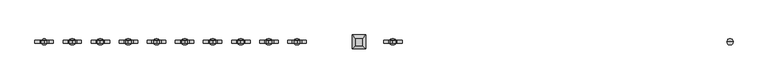
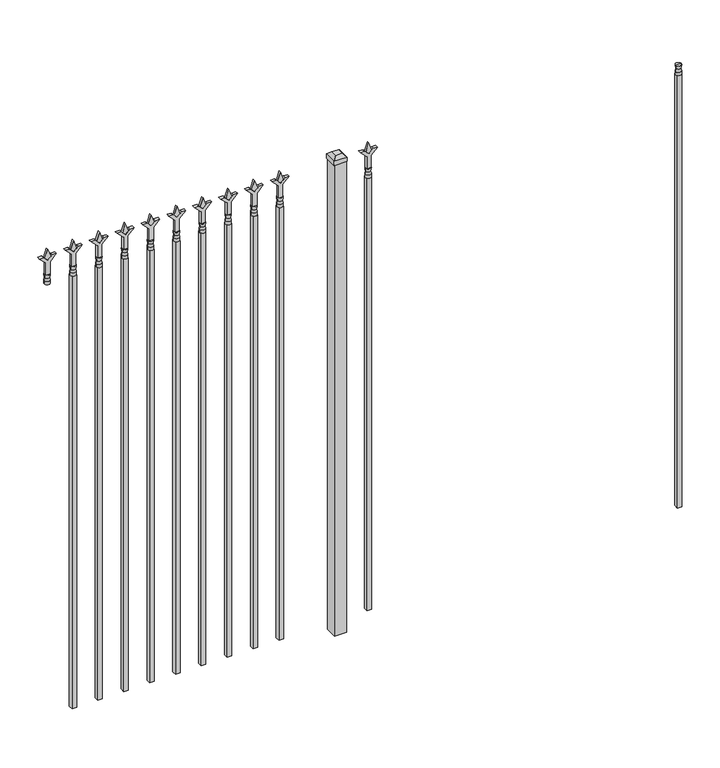
"""IFC4 building model written with IfcOpenShell, lengths in millimetres: railing geometry."""

from ifc_helpers import new_model, si_unit, frame, origin, origin_with_axes, place, context, project, spatial, polyline, circle_curve, outline, extrude, faceted_brep, source, transform, mapped, element, save
from ifc_brep_helpers import plane_surface, cylinder_surface, revolved_surface, advanced_brep


def railing_86276e37(model_context):
    return source(origin(), model_context, "Body", "SolidModel", [
        advanced_brep(
        [(-58315.574337, -635.2570174, 1993.9), (-58339.386837, -635.2570174, 1993.9), (-58339.386837, -635.2570174, 1981.2), (-58315.574337, -635.2570174, 1981.2), (-58317.7796688, -635.2570174, 2006.4070585), (-58337.1815051, -635.2570174, 2006.4070585), (-58315.574337, -635.2570174, 2022.475), (-58339.386837, -635.2570174, 2022.475), (-58327.480587, -635.2570174, 2022.475), (-58327.480587, -635.2570174, 1981.2)],
        [
            (0, 1, circle_curve(frame((-58327.480587, -635.2570174, 1993.9), z_axis=(0.0, 0.0, -1.0), x_axis=(-1.0, 0.0, 0.0)), 11.90625)),
            (1, 2),
            (2, 3, circle_curve(frame((-58327.480587, -635.2570174, 1981.2), z_axis=(0.0, 0.0, 1.0), x_axis=(-1.0, 0.0, 0.0)), 11.90625)),
            (3, 0),
            (1, 0, circle_curve(frame((-58327.480587, -635.2570174, 1993.9), z_axis=(0.0, 0.0, -1.0), x_axis=(-1.0, 0.0, 0.0)), 11.90625)),
            (3, 2, circle_curve(frame((-58327.480587, -635.2570174, 1981.2), z_axis=(0.0, 0.0, 1.0), x_axis=(-1.0, 0.0, 0.0)), 11.90625)),
            (4, 5, circle_curve(frame((-58327.480587, -635.2570174, 2006.4070585), z_axis=(0.0, 0.0, -1.0), x_axis=(-1.0, 0.0, 0.0)), 9.7009181)),
            (5, 1),
            (0, 4),
            (5, 4, circle_curve(frame((-58327.480587, -635.2570174, 2006.4070585), z_axis=(0.0, 0.0, -1.0), x_axis=(-1.0, 0.0, 0.0)), 9.7009181)),
            (6, 7, circle_curve(frame((-58327.480587, -635.2570174, 2022.475), z_axis=(0.0, 0.0, -1.0), x_axis=(-1.0, 0.0, 0.0)), 11.90625)),
            (7, 5),
            (4, 6),
            (7, 6, circle_curve(frame((-58327.480587, -635.2570174, 2022.475), z_axis=(0.0, 0.0, -1.0), x_axis=(-1.0, 0.0, 0.0)), 11.90625)),
            (8, 7),
            (6, 8),
            (2, 9),
            (9, 3),
        ],
        [
            cylinder_surface(frame((-58327.480587, -635.2570174, 1981.2), z_axis=(0.0, 0.0, 1.0), x_axis=(-1.0, 0.0, 0.0)), 11.90625),
            revolved_surface(polyline([(-58339.386837, -635.2570174, 1993.9), (-58337.1815051, -635.2570174, 2006.4070585)]), (-58327.480587, -635.2570174, 1981.2), (0.0, 0.0, 1.0)),
            revolved_surface(polyline([(-58337.1815051, -635.2570174, 2006.4070585), (-58339.386837, -635.2570174, 2022.475)]), (-58327.480587, -635.2570174, 1981.2), (0.0, 0.0, 1.0)),
            plane_surface(frame((-58327.480587, -635.2570174, 2022.475), z_axis=(0.0, 0.0, 1.0), x_axis=(-1.0, 0.0, 0.0))),
            plane_surface(frame((-58327.480587, -635.2570174, 1981.2), z_axis=(0.0, 0.0, -1.0), x_axis=(-1.0, 0.0, 0.0))),
        ],
        [
            (0, [[1, 2, 3, 4]]),
            (0, [[5, -4, 6, -2]]),
            (1, [[7, 8, -1, 9]]),
            (1, [[10, -9, -5, -8]]),
            (2, [[11, 12, -7, 13]]),
            (2, [[14, -13, -10, -12]]),
            (3, [[15, -11, 16]]),
            (3, [[-16, -14, -15]]),
            (4, [[-3, 17, 18]]),
            (4, [[-6, -18, -17]]),
        ],
    ),
        extrude(outline(polyline([(-58337.005587, -625.7320174), (-58317.955587, -625.7320174), (-58317.955587, -644.7820174), (-58337.005587, -644.7820174), (-58337.005587, -625.7320174)])), frame((0.0, 0.0, 50.8), z_axis=(0.0, 0.0, 1.0), x_axis=(1.0, 0.0, 0.0)), (0.0, 0.0, 1.0), 1930.4),
        extrude(outline(polyline([(2097.88125, -59626.849337), (2133.6, -59638.755587), (2097.88125, -59650.661837), (2085.975, -59638.755587), (2097.88125, -59626.849337)])), frame((0.0, -640.0195174, 0.0), z_axis=(0.0, 1.0, 0.0), x_axis=(0.0, 0.0, 1.0)), (0.0, 0.0, 1.0), 9.525),
        extrude(outline(polyline([(2022.475, -59630.024337), (2076.7457378, -59630.024337), (2103.9355122, -59602.8345625), (2103.9355122, -59620.7950747), (2085.975, -59638.755587), (2103.9355122, -59656.7160992), (2103.9355122, -59674.6766114), (2076.7457378, -59647.486837), (2022.475, -59647.486837), (2022.475, -59630.024337)])), frame((0.0, -641.6070174, 0.0), z_axis=(0.0, 1.0, 0.0), x_axis=(0.0, 0.0, 1.0)), (0.0, 0.0, 1.0), 12.7),
        advanced_brep(
        [(-59626.849337, -635.2570174, 1993.9), (-59650.661837, -635.2570174, 1993.9), (-59650.661837, -635.2570174, 1981.2), (-59626.849337, -635.2570174, 1981.2), (-59629.0546688, -635.2570174, 2006.4070585), (-59648.4565051, -635.2570174, 2006.4070585), (-59626.849337, -635.2570174, 2022.475), (-59650.661837, -635.2570174, 2022.475), (-59638.755587, -635.2570174, 2022.475), (-59638.755587, -635.2570174, 1981.2)],
        [
            (0, 1, circle_curve(frame((-59638.755587, -635.2570174, 1993.9), z_axis=(0.0, 0.0, -1.0), x_axis=(-1.0, 0.0, 0.0)), 11.90625)),
            (1, 2),
            (2, 3, circle_curve(frame((-59638.755587, -635.2570174, 1981.2), z_axis=(0.0, 0.0, 1.0), x_axis=(-1.0, 0.0, 0.0)), 11.90625)),
            (3, 0),
            (1, 0, circle_curve(frame((-59638.755587, -635.2570174, 1993.9), z_axis=(0.0, 0.0, -1.0), x_axis=(-1.0, 0.0, 0.0)), 11.90625)),
            (3, 2, circle_curve(frame((-59638.755587, -635.2570174, 1981.2), z_axis=(0.0, 0.0, 1.0), x_axis=(-1.0, 0.0, 0.0)), 11.90625)),
            (4, 5, circle_curve(frame((-59638.755587, -635.2570174, 2006.4070585), z_axis=(0.0, 0.0, -1.0), x_axis=(-1.0, 0.0, 0.0)), 9.7009181)),
            (5, 1),
            (0, 4),
            (5, 4, circle_curve(frame((-59638.755587, -635.2570174, 2006.4070585), z_axis=(0.0, 0.0, -1.0), x_axis=(-1.0, 0.0, 0.0)), 9.7009181)),
            (6, 7, circle_curve(frame((-59638.755587, -635.2570174, 2022.475), z_axis=(0.0, 0.0, -1.0), x_axis=(-1.0, 0.0, 0.0)), 11.90625)),
            (7, 5),
            (4, 6),
            (7, 6, circle_curve(frame((-59638.755587, -635.2570174, 2022.475), z_axis=(0.0, 0.0, -1.0), x_axis=(-1.0, 0.0, 0.0)), 11.90625)),
            (8, 7),
            (6, 8),
            (2, 9),
            (9, 3),
        ],
        [
            cylinder_surface(frame((-59638.755587, -635.2570174, 1981.2), z_axis=(0.0, 0.0, 1.0), x_axis=(-1.0, 0.0, 0.0)), 11.90625),
            revolved_surface(polyline([(-59650.661837, -635.2570174, 1993.9), (-59648.4565051, -635.2570174, 2006.4070585)]), (-59638.755587, -635.2570174, 1981.2), (0.0, 0.0, 1.0)),
            revolved_surface(polyline([(-59648.4565051, -635.2570174, 2006.4070585), (-59650.661837, -635.2570174, 2022.475)]), (-59638.755587, -635.2570174, 1981.2), (0.0, 0.0, 1.0)),
            plane_surface(frame((-59638.755587, -635.2570174, 2022.475), z_axis=(0.0, 0.0, 1.0), x_axis=(-1.0, 0.0, 0.0))),
            plane_surface(frame((-59638.755587, -635.2570174, 1981.2), z_axis=(0.0, 0.0, -1.0), x_axis=(-1.0, 0.0, 0.0))),
        ],
        [
            (0, [[1, 2, 3, 4]]),
            (0, [[5, -4, 6, -2]]),
            (1, [[7, 8, -1, 9]]),
            (1, [[10, -9, -5, -8]]),
            (2, [[11, 12, -7, 13]]),
            (2, [[14, -13, -10, -12]]),
            (3, [[15, -11, 16]]),
            (3, [[-16, -14, -15]]),
            (4, [[-3, 17, 18]]),
            (4, [[-6, -18, -17]]),
        ],
    ),
        extrude(outline(polyline([(-59648.280587, -625.7320174), (-59629.230587, -625.7320174), (-59629.230587, -644.7820174), (-59648.280587, -644.7820174), (-59648.280587, -625.7320174)])), frame((0.0, 0.0, 50.8), z_axis=(0.0, 0.0, 1.0), x_axis=(1.0, 0.0, 0.0)), (0.0, 0.0, 1.0), 1930.4),
        extrude(outline(polyline([(-59745.118087, -609.8570174), (-59745.118087, -660.6570174), (-59795.918087, -660.6570174), (-59795.918087, -609.8570174), (-59745.118087, -609.8570174)])), origin_with_axes(), (0.0, 0.0, 1.0), 2101.85),
        faceted_brep([(-59797.505587, -608.2695174, 2120.9), (-59797.505587, -608.2695174, 2101.85), (-59797.505587, -662.2445174, 2101.85), (-59797.505587, -662.2445174, 2120.9), (-59784.805587, -620.9695174, 2133.6), (-59784.805587, -649.5445174, 2133.6), (-59743.530587, -662.2445174, 2101.85), (-59743.530587, -662.2445174, 2120.9), (-59756.230587, -649.5445174, 2133.6), (-59743.530587, -608.2695174, 2101.85), (-59743.530587, -608.2695174, 2120.9), (-59756.230587, -620.9695174, 2133.6)], [[[0, 1, 2, 3]], [[4, 0, 3, 5]], [[3, 2, 6, 7]], [[5, 3, 7, 8]], [[7, 6, 9, 10]], [[8, 7, 10, 11]], [[10, 9, 1, 0]], [[11, 10, 0, 4]], [[5, 8, 11, 4]], [[1, 9, 6, 2]]]),
        extrude(outline(polyline([(2097.88125, -59999.6472536), (2133.6, -60011.5535036), (2097.88125, -60023.4597536), (2085.975, -60011.5535036), (2097.88125, -59999.6472536)])), frame((0.0, -640.0195174, 0.0), z_axis=(0.0, 1.0, 0.0), x_axis=(0.0, 0.0, 1.0)), (0.0, 0.0, 1.0), 9.525),
        extrude(outline(polyline([(2022.475, -60002.8222536), (2076.7457378, -60002.8222536), (2103.9355122, -59975.6324791), (2103.9355122, -59993.5929914), (2085.975, -60011.5535036), (2103.9355122, -60029.5140159), (2103.9355122, -60047.4745281), (2076.7457378, -60020.2847536), (2022.475, -60020.2847536), (2022.475, -60002.8222536)])), frame((0.0, -641.6070174, 0.0), z_axis=(0.0, 1.0, 0.0), x_axis=(0.0, 0.0, 1.0)), (0.0, 0.0, 1.0), 12.7),
        advanced_brep(
        [(-59999.6472536, -635.2570174, 1993.9), (-60023.4597536, -635.2570174, 1993.9), (-60023.4597536, -635.2570174, 1981.2), (-59999.6472536, -635.2570174, 1981.2), (-60001.8525855, -635.2570174, 2006.4070585), (-60021.2544218, -635.2570174, 2006.4070585), (-59999.6472536, -635.2570174, 2022.475), (-60023.4597536, -635.2570174, 2022.475), (-60011.5535036, -635.2570174, 2022.475), (-60011.5535036, -635.2570174, 1981.2)],
        [
            (0, 1, circle_curve(frame((-60011.5535036, -635.2570174, 1993.9), z_axis=(0.0, 0.0, -1.0), x_axis=(-1.0, 0.0, 0.0)), 11.90625)),
            (1, 2),
            (2, 3, circle_curve(frame((-60011.5535036, -635.2570174, 1981.2), z_axis=(0.0, 0.0, 1.0), x_axis=(-1.0, 0.0, 0.0)), 11.90625)),
            (3, 0),
            (1, 0, circle_curve(frame((-60011.5535036, -635.2570174, 1993.9), z_axis=(0.0, 0.0, -1.0), x_axis=(-1.0, 0.0, 0.0)), 11.90625)),
            (3, 2, circle_curve(frame((-60011.5535036, -635.2570174, 1981.2), z_axis=(0.0, 0.0, 1.0), x_axis=(-1.0, 0.0, 0.0)), 11.90625)),
            (4, 5, circle_curve(frame((-60011.5535036, -635.2570174, 2006.4070585), z_axis=(0.0, 0.0, -1.0), x_axis=(-1.0, 0.0, 0.0)), 9.7009181)),
            (5, 1),
            (0, 4),
            (5, 4, circle_curve(frame((-60011.5535036, -635.2570174, 2006.4070585), z_axis=(0.0, 0.0, -1.0), x_axis=(-1.0, 0.0, 0.0)), 9.7009181)),
            (6, 7, circle_curve(frame((-60011.5535036, -635.2570174, 2022.475), z_axis=(0.0, 0.0, -1.0), x_axis=(-1.0, 0.0, 0.0)), 11.90625)),
            (7, 5),
            (4, 6),
            (7, 6, circle_curve(frame((-60011.5535036, -635.2570174, 2022.475), z_axis=(0.0, 0.0, -1.0), x_axis=(-1.0, 0.0, 0.0)), 11.90625)),
            (8, 7),
            (6, 8),
            (2, 9),
            (9, 3),
        ],
        [
            cylinder_surface(frame((-60011.5535036, -635.2570174, 1981.2), z_axis=(0.0, 0.0, 1.0), x_axis=(-1.0, 0.0, 0.0)), 11.90625),
            revolved_surface(polyline([(-60023.4597536, -635.2570174, 1993.9), (-60021.2544218, -635.2570174, 2006.4070585)]), (-60011.5535036, -635.2570174, 1981.2), (0.0, 0.0, 1.0)),
            revolved_surface(polyline([(-60021.2544218, -635.2570174, 2006.4070585), (-60023.4597536, -635.2570174, 2022.475)]), (-60011.5535036, -635.2570174, 1981.2), (0.0, 0.0, 1.0)),
            plane_surface(frame((-60011.5535036, -635.2570174, 2022.475), z_axis=(0.0, 0.0, 1.0), x_axis=(-1.0, 0.0, 0.0))),
            plane_surface(frame((-60011.5535036, -635.2570174, 1981.2), z_axis=(0.0, 0.0, -1.0), x_axis=(-1.0, 0.0, 0.0))),
        ],
        [
            (0, [[1, 2, 3, 4]]),
            (0, [[5, -4, 6, -2]]),
            (1, [[7, 8, -1, 9]]),
            (1, [[10, -9, -5, -8]]),
            (2, [[11, 12, -7, 13]]),
            (2, [[14, -13, -10, -12]]),
            (3, [[15, -11, 16]]),
            (3, [[-16, -14, -15]]),
            (4, [[-3, 17, 18]]),
            (4, [[-6, -18, -17]]),
        ],
    ),
        extrude(outline(polyline([(-60021.0785036, -625.7320174), (-60002.0285036, -625.7320174), (-60002.0285036, -644.7820174), (-60021.0785036, -644.7820174), (-60021.0785036, -625.7320174)])), frame((0.0, 0.0, 50.8), z_axis=(0.0, 0.0, 1.0), x_axis=(1.0, 0.0, 0.0)), (0.0, 0.0, 1.0), 1930.4),
        extrude(outline(polyline([(2097.88125, -60108.9201703), (2133.6, -60120.8264203), (2097.88125, -60132.7326703), (2085.975, -60120.8264203), (2097.88125, -60108.9201703)])), frame((0.0, -640.0195174, 0.0), z_axis=(0.0, 1.0, 0.0), x_axis=(0.0, 0.0, 1.0)), (0.0, 0.0, 1.0), 9.525),
        extrude(outline(polyline([(2022.475, -60112.0951703), (2076.7457378, -60112.0951703), (2103.9355122, -60084.9053958), (2103.9355122, -60102.8659081), (2085.975, -60120.8264203), (2103.9355122, -60138.7869325), (2103.9355122, -60156.7474448), (2076.7457378, -60129.5576703), (2022.475, -60129.5576703), (2022.475, -60112.0951703)])), frame((0.0, -641.6070174, 0.0), z_axis=(0.0, 1.0, 0.0), x_axis=(0.0, 0.0, 1.0)), (0.0, 0.0, 1.0), 12.7),
        advanced_brep(
        [(-60108.9201703, -635.2570174, 1993.9), (-60132.7326703, -635.2570174, 1993.9), (-60132.7326703, -635.2570174, 1981.2), (-60108.9201703, -635.2570174, 1981.2), (-60111.1255022, -635.2570174, 2006.4070585), (-60130.5273384, -635.2570174, 2006.4070585), (-60108.9201703, -635.2570174, 2022.475), (-60132.7326703, -635.2570174, 2022.475), (-60120.8264203, -635.2570174, 2022.475), (-60120.8264203, -635.2570174, 1981.2)],
        [
            (0, 1, circle_curve(frame((-60120.8264203, -635.2570174, 1993.9), z_axis=(0.0, 0.0, -1.0), x_axis=(-1.0, 0.0, 0.0)), 11.90625)),
            (1, 2),
            (2, 3, circle_curve(frame((-60120.8264203, -635.2570174, 1981.2), z_axis=(0.0, 0.0, 1.0), x_axis=(-1.0, 0.0, 0.0)), 11.90625)),
            (3, 0),
            (1, 0, circle_curve(frame((-60120.8264203, -635.2570174, 1993.9), z_axis=(0.0, 0.0, -1.0), x_axis=(-1.0, 0.0, 0.0)), 11.90625)),
            (3, 2, circle_curve(frame((-60120.8264203, -635.2570174, 1981.2), z_axis=(0.0, 0.0, 1.0), x_axis=(-1.0, 0.0, 0.0)), 11.90625)),
            (4, 5, circle_curve(frame((-60120.8264203, -635.2570174, 2006.4070585), z_axis=(0.0, 0.0, -1.0), x_axis=(-1.0, 0.0, 0.0)), 9.7009181)),
            (5, 1),
            (0, 4),
            (5, 4, circle_curve(frame((-60120.8264203, -635.2570174, 2006.4070585), z_axis=(0.0, 0.0, -1.0), x_axis=(-1.0, 0.0, 0.0)), 9.7009181)),
            (6, 7, circle_curve(frame((-60120.8264203, -635.2570174, 2022.475), z_axis=(0.0, 0.0, -1.0), x_axis=(-1.0, 0.0, 0.0)), 11.90625)),
            (7, 5),
            (4, 6),
            (7, 6, circle_curve(frame((-60120.8264203, -635.2570174, 2022.475), z_axis=(0.0, 0.0, -1.0), x_axis=(-1.0, 0.0, 0.0)), 11.90625)),
            (8, 7),
            (6, 8),
            (2, 9),
            (9, 3),
        ],
        [
            cylinder_surface(frame((-60120.8264203, -635.2570174, 1981.2), z_axis=(0.0, 0.0, 1.0), x_axis=(-1.0, 0.0, 0.0)), 11.90625),
            revolved_surface(polyline([(-60132.7326703, -635.2570174, 1993.9), (-60130.5273384, -635.2570174, 2006.4070585)]), (-60120.8264203, -635.2570174, 1981.2), (0.0, 0.0, 1.0)),
            revolved_surface(polyline([(-60130.5273384, -635.2570174, 2006.4070585), (-60132.7326703, -635.2570174, 2022.475)]), (-60120.8264203, -635.2570174, 1981.2), (0.0, 0.0, 1.0)),
            plane_surface(frame((-60120.8264203, -635.2570174, 2022.475), z_axis=(0.0, 0.0, 1.0), x_axis=(-1.0, 0.0, 0.0))),
            plane_surface(frame((-60120.8264203, -635.2570174, 1981.2), z_axis=(0.0, 0.0, -1.0), x_axis=(-1.0, 0.0, 0.0))),
        ],
        [
            (0, [[1, 2, 3, 4]]),
            (0, [[5, -4, 6, -2]]),
            (1, [[7, 8, -1, 9]]),
            (1, [[10, -9, -5, -8]]),
            (2, [[11, 12, -7, 13]]),
            (2, [[14, -13, -10, -12]]),
            (3, [[15, -11, 16]]),
            (3, [[-16, -14, -15]]),
            (4, [[-3, 17, 18]]),
            (4, [[-6, -18, -17]]),
        ],
    ),
        extrude(outline(polyline([(-60130.3514203, -625.7320174), (-60111.3014203, -625.7320174), (-60111.3014203, -644.7820174), (-60130.3514203, -644.7820174), (-60130.3514203, -625.7320174)])), frame((0.0, 0.0, 50.8), z_axis=(0.0, 0.0, 1.0), x_axis=(1.0, 0.0, 0.0)), (0.0, 0.0, 1.0), 1930.4),
        extrude(outline(polyline([(2097.88125, -60218.193087), (2133.6, -60230.099337), (2097.88125, -60242.005587), (2085.975, -60230.099337), (2097.88125, -60218.193087)])), frame((0.0, -640.0195174, 0.0), z_axis=(0.0, 1.0, 0.0), x_axis=(0.0, 0.0, 1.0)), (0.0, 0.0, 1.0), 9.525),
        extrude(outline(polyline([(2022.475, -60221.368087), (2076.7457378, -60221.368087), (2103.9355122, -60194.1783125), (2103.9355122, -60212.1388247), (2085.975, -60230.099337), (2103.9355122, -60248.0598492), (2103.9355122, -60266.0203614), (2076.7457378, -60238.830587), (2022.475, -60238.830587), (2022.475, -60221.368087)])), frame((0.0, -641.6070174, 0.0), z_axis=(0.0, 1.0, 0.0), x_axis=(0.0, 0.0, 1.0)), (0.0, 0.0, 1.0), 12.7),
        advanced_brep(
        [(-60218.193087, -635.2570174, 1993.9), (-60242.005587, -635.2570174, 1993.9), (-60242.005587, -635.2570174, 1981.2), (-60218.193087, -635.2570174, 1981.2), (-60220.3984188, -635.2570174, 2006.4070585), (-60239.8002551, -635.2570174, 2006.4070585), (-60218.193087, -635.2570174, 2022.475), (-60242.005587, -635.2570174, 2022.475), (-60230.099337, -635.2570174, 2022.475), (-60230.099337, -635.2570174, 1981.2)],
        [
            (0, 1, circle_curve(frame((-60230.099337, -635.2570174, 1993.9), z_axis=(0.0, 0.0, -1.0), x_axis=(-1.0, 0.0, 0.0)), 11.90625)),
            (1, 2),
            (2, 3, circle_curve(frame((-60230.099337, -635.2570174, 1981.2), z_axis=(0.0, 0.0, 1.0), x_axis=(-1.0, 0.0, 0.0)), 11.90625)),
            (3, 0),
            (1, 0, circle_curve(frame((-60230.099337, -635.2570174, 1993.9), z_axis=(0.0, 0.0, -1.0), x_axis=(-1.0, 0.0, 0.0)), 11.90625)),
            (3, 2, circle_curve(frame((-60230.099337, -635.2570174, 1981.2), z_axis=(0.0, 0.0, 1.0), x_axis=(-1.0, 0.0, 0.0)), 11.90625)),
            (4, 5, circle_curve(frame((-60230.099337, -635.2570174, 2006.4070585), z_axis=(0.0, 0.0, -1.0), x_axis=(-1.0, 0.0, 0.0)), 9.7009181)),
            (5, 1),
            (0, 4),
            (5, 4, circle_curve(frame((-60230.099337, -635.2570174, 2006.4070585), z_axis=(0.0, 0.0, -1.0), x_axis=(-1.0, 0.0, 0.0)), 9.7009181)),
            (6, 7, circle_curve(frame((-60230.099337, -635.2570174, 2022.475), z_axis=(0.0, 0.0, -1.0), x_axis=(-1.0, 0.0, 0.0)), 11.90625)),
            (7, 5),
            (4, 6),
            (7, 6, circle_curve(frame((-60230.099337, -635.2570174, 2022.475), z_axis=(0.0, 0.0, -1.0), x_axis=(-1.0, 0.0, 0.0)), 11.90625)),
            (8, 7),
            (6, 8),
            (2, 9),
            (9, 3),
        ],
        [
            cylinder_surface(frame((-60230.099337, -635.2570174, 1981.2), z_axis=(0.0, 0.0, 1.0), x_axis=(-1.0, 0.0, 0.0)), 11.90625),
            revolved_surface(polyline([(-60242.005587, -635.2570174, 1993.9), (-60239.8002551, -635.2570174, 2006.4070585)]), (-60230.099337, -635.2570174, 1981.2), (0.0, 0.0, 1.0)),
            revolved_surface(polyline([(-60239.8002551, -635.2570174, 2006.4070585), (-60242.005587, -635.2570174, 2022.475)]), (-60230.099337, -635.2570174, 1981.2), (0.0, 0.0, 1.0)),
            plane_surface(frame((-60230.099337, -635.2570174, 2022.475), z_axis=(0.0, 0.0, 1.0), x_axis=(-1.0, 0.0, 0.0))),
            plane_surface(frame((-60230.099337, -635.2570174, 1981.2), z_axis=(0.0, 0.0, -1.0), x_axis=(-1.0, 0.0, 0.0))),
        ],
        [
            (0, [[1, 2, 3, 4]]),
            (0, [[5, -4, 6, -2]]),
            (1, [[7, 8, -1, 9]]),
            (1, [[10, -9, -5, -8]]),
            (2, [[11, 12, -7, 13]]),
            (2, [[14, -13, -10, -12]]),
            (3, [[15, -11, 16]]),
            (3, [[-16, -14, -15]]),
            (4, [[-3, 17, 18]]),
            (4, [[-6, -18, -17]]),
        ],
    ),
        extrude(outline(polyline([(-60239.624337, -625.7320174), (-60220.574337, -625.7320174), (-60220.574337, -644.7820174), (-60239.624337, -644.7820174), (-60239.624337, -625.7320174)])), frame((0.0, 0.0, 50.8), z_axis=(0.0, 0.0, 1.0), x_axis=(1.0, 0.0, 0.0)), (0.0, 0.0, 1.0), 1930.4),
        extrude(outline(polyline([(2097.88125, -60327.4660036), (2133.6, -60339.3722536), (2097.88125, -60351.2785036), (2085.975, -60339.3722536), (2097.88125, -60327.4660036)])), frame((0.0, -640.0195174, 0.0), z_axis=(0.0, 1.0, 0.0), x_axis=(0.0, 0.0, 1.0)), (0.0, 0.0, 1.0), 9.525),
        extrude(outline(polyline([(2022.475, -60330.6410036), (2076.7457378, -60330.6410036), (2103.9355122, -60303.4512291), (2103.9355122, -60321.4117414), (2085.975, -60339.3722536), (2103.9355122, -60357.3327659), (2103.9355122, -60375.2932781), (2076.7457378, -60348.1035036), (2022.475, -60348.1035036), (2022.475, -60330.6410036)])), frame((0.0, -641.6070174, 0.0), z_axis=(0.0, 1.0, 0.0), x_axis=(0.0, 0.0, 1.0)), (0.0, 0.0, 1.0), 12.7),
        advanced_brep(
        [(-60327.4660036, -635.2570174, 1993.9), (-60351.2785036, -635.2570174, 1993.9), (-60351.2785036, -635.2570174, 1981.2), (-60327.4660036, -635.2570174, 1981.2), (-60329.6713355, -635.2570174, 2006.4070585), (-60349.0731718, -635.2570174, 2006.4070585), (-60327.4660036, -635.2570174, 2022.475), (-60351.2785036, -635.2570174, 2022.475), (-60339.3722536, -635.2570174, 2022.475), (-60339.3722536, -635.2570174, 1981.2)],
        [
            (0, 1, circle_curve(frame((-60339.3722536, -635.2570174, 1993.9), z_axis=(0.0, 0.0, -1.0), x_axis=(-1.0, 0.0, 0.0)), 11.90625)),
            (1, 2),
            (2, 3, circle_curve(frame((-60339.3722536, -635.2570174, 1981.2), z_axis=(0.0, 0.0, 1.0), x_axis=(-1.0, 0.0, 0.0)), 11.90625)),
            (3, 0),
            (1, 0, circle_curve(frame((-60339.3722536, -635.2570174, 1993.9), z_axis=(0.0, 0.0, -1.0), x_axis=(-1.0, 0.0, 0.0)), 11.90625)),
            (3, 2, circle_curve(frame((-60339.3722536, -635.2570174, 1981.2), z_axis=(0.0, 0.0, 1.0), x_axis=(-1.0, 0.0, 0.0)), 11.90625)),
            (4, 5, circle_curve(frame((-60339.3722536, -635.2570174, 2006.4070585), z_axis=(0.0, 0.0, -1.0), x_axis=(-1.0, 0.0, 0.0)), 9.7009181)),
            (5, 1),
            (0, 4),
            (5, 4, circle_curve(frame((-60339.3722536, -635.2570174, 2006.4070585), z_axis=(0.0, 0.0, -1.0), x_axis=(-1.0, 0.0, 0.0)), 9.7009181)),
            (6, 7, circle_curve(frame((-60339.3722536, -635.2570174, 2022.475), z_axis=(0.0, 0.0, -1.0), x_axis=(-1.0, 0.0, 0.0)), 11.90625)),
            (7, 5),
            (4, 6),
            (7, 6, circle_curve(frame((-60339.3722536, -635.2570174, 2022.475), z_axis=(0.0, 0.0, -1.0), x_axis=(-1.0, 0.0, 0.0)), 11.90625)),
            (8, 7),
            (6, 8),
            (2, 9),
            (9, 3),
        ],
        [
            cylinder_surface(frame((-60339.3722536, -635.2570174, 1981.2), z_axis=(0.0, 0.0, 1.0), x_axis=(-1.0, 0.0, 0.0)), 11.90625),
            revolved_surface(polyline([(-60351.2785036, -635.2570174, 1993.9), (-60349.0731718, -635.2570174, 2006.4070585)]), (-60339.3722536, -635.2570174, 1981.2), (0.0, 0.0, 1.0)),
            revolved_surface(polyline([(-60349.0731718, -635.2570174, 2006.4070585), (-60351.2785036, -635.2570174, 2022.475)]), (-60339.3722536, -635.2570174, 1981.2), (0.0, 0.0, 1.0)),
            plane_surface(frame((-60339.3722536, -635.2570174, 2022.475), z_axis=(0.0, 0.0, 1.0), x_axis=(-1.0, 0.0, 0.0))),
            plane_surface(frame((-60339.3722536, -635.2570174, 1981.2), z_axis=(0.0, 0.0, -1.0), x_axis=(-1.0, 0.0, 0.0))),
        ],
        [
            (0, [[1, 2, 3, 4]]),
            (0, [[5, -4, 6, -2]]),
            (1, [[7, 8, -1, 9]]),
            (1, [[10, -9, -5, -8]]),
            (2, [[11, 12, -7, 13]]),
            (2, [[14, -13, -10, -12]]),
            (3, [[15, -11, 16]]),
            (3, [[-16, -14, -15]]),
            (4, [[-3, 17, 18]]),
            (4, [[-6, -18, -17]]),
        ],
    ),
        extrude(outline(polyline([(-60348.8972536, -625.7320174), (-60329.8472536, -625.7320174), (-60329.8472536, -644.7820174), (-60348.8972536, -644.7820174), (-60348.8972536, -625.7320174)])), frame((0.0, 0.0, 50.8), z_axis=(0.0, 0.0, 1.0), x_axis=(1.0, 0.0, 0.0)), (0.0, 0.0, 1.0), 1930.4),
        extrude(outline(polyline([(2097.88125, -60436.7389203), (2133.6, -60448.6451703), (2097.88125, -60460.5514203), (2085.975, -60448.6451703), (2097.88125, -60436.7389203)])), frame((0.0, -640.0195174, 0.0), z_axis=(0.0, 1.0, 0.0), x_axis=(0.0, 0.0, 1.0)), (0.0, 0.0, 1.0), 9.525),
        extrude(outline(polyline([(2022.475, -60439.9139203), (2076.7457378, -60439.9139203), (2103.9355122, -60412.7241458), (2103.9355122, -60430.6846581), (2085.975, -60448.6451703), (2103.9355122, -60466.6056825), (2103.9355122, -60484.5661948), (2076.7457378, -60457.3764203), (2022.475, -60457.3764203), (2022.475, -60439.9139203)])), frame((0.0, -641.6070174, 0.0), z_axis=(0.0, 1.0, 0.0), x_axis=(0.0, 0.0, 1.0)), (0.0, 0.0, 1.0), 12.7),
        advanced_brep(
        [(-60436.7389203, -635.2570174, 1993.9), (-60460.5514203, -635.2570174, 1993.9), (-60460.5514203, -635.2570174, 1981.2), (-60436.7389203, -635.2570174, 1981.2), (-60438.9442522, -635.2570174, 2006.4070585), (-60458.3460884, -635.2570174, 2006.4070585), (-60436.7389203, -635.2570174, 2022.475), (-60460.5514203, -635.2570174, 2022.475), (-60448.6451703, -635.2570174, 2022.475), (-60448.6451703, -635.2570174, 1981.2)],
        [
            (0, 1, circle_curve(frame((-60448.6451703, -635.2570174, 1993.9), z_axis=(0.0, 0.0, -1.0), x_axis=(-1.0, 0.0, 0.0)), 11.90625)),
            (1, 2),
            (2, 3, circle_curve(frame((-60448.6451703, -635.2570174, 1981.2), z_axis=(0.0, 0.0, 1.0), x_axis=(-1.0, 0.0, 0.0)), 11.90625)),
            (3, 0),
            (1, 0, circle_curve(frame((-60448.6451703, -635.2570174, 1993.9), z_axis=(0.0, 0.0, -1.0), x_axis=(-1.0, 0.0, 0.0)), 11.90625)),
            (3, 2, circle_curve(frame((-60448.6451703, -635.2570174, 1981.2), z_axis=(0.0, 0.0, 1.0), x_axis=(-1.0, 0.0, 0.0)), 11.90625)),
            (4, 5, circle_curve(frame((-60448.6451703, -635.2570174, 2006.4070585), z_axis=(0.0, 0.0, -1.0), x_axis=(-1.0, 0.0, 0.0)), 9.7009181)),
            (5, 1),
            (0, 4),
            (5, 4, circle_curve(frame((-60448.6451703, -635.2570174, 2006.4070585), z_axis=(0.0, 0.0, -1.0), x_axis=(-1.0, 0.0, 0.0)), 9.7009181)),
            (6, 7, circle_curve(frame((-60448.6451703, -635.2570174, 2022.475), z_axis=(0.0, 0.0, -1.0), x_axis=(-1.0, 0.0, 0.0)), 11.90625)),
            (7, 5),
            (4, 6),
            (7, 6, circle_curve(frame((-60448.6451703, -635.2570174, 2022.475), z_axis=(0.0, 0.0, -1.0), x_axis=(-1.0, 0.0, 0.0)), 11.90625)),
            (8, 7),
            (6, 8),
            (2, 9),
            (9, 3),
        ],
        [
            cylinder_surface(frame((-60448.6451703, -635.2570174, 1981.2), z_axis=(0.0, 0.0, 1.0), x_axis=(-1.0, 0.0, 0.0)), 11.90625),
            revolved_surface(polyline([(-60460.5514203, -635.2570174, 1993.9), (-60458.3460884, -635.2570174, 2006.4070585)]), (-60448.6451703, -635.2570174, 1981.2), (0.0, 0.0, 1.0)),
            revolved_surface(polyline([(-60458.3460884, -635.2570174, 2006.4070585), (-60460.5514203, -635.2570174, 2022.475)]), (-60448.6451703, -635.2570174, 1981.2), (0.0, 0.0, 1.0)),
            plane_surface(frame((-60448.6451703, -635.2570174, 2022.475), z_axis=(0.0, 0.0, 1.0), x_axis=(-1.0, 0.0, 0.0))),
            plane_surface(frame((-60448.6451703, -635.2570174, 1981.2), z_axis=(0.0, 0.0, -1.0), x_axis=(-1.0, 0.0, 0.0))),
        ],
        [
            (0, [[1, 2, 3, 4]]),
            (0, [[5, -4, 6, -2]]),
            (1, [[7, 8, -1, 9]]),
            (1, [[10, -9, -5, -8]]),
            (2, [[11, 12, -7, 13]]),
            (2, [[14, -13, -10, -12]]),
            (3, [[15, -11, 16]]),
            (3, [[-16, -14, -15]]),
            (4, [[-3, 17, 18]]),
            (4, [[-6, -18, -17]]),
        ],
    ),
        extrude(outline(polyline([(-60458.1701703, -625.7320174), (-60439.1201703, -625.7320174), (-60439.1201703, -644.7820174), (-60458.1701703, -644.7820174), (-60458.1701703, -625.7320174)])), frame((0.0, 0.0, 50.8), z_axis=(0.0, 0.0, 1.0), x_axis=(1.0, 0.0, 0.0)), (0.0, 0.0, 1.0), 1930.4),
        extrude(outline(polyline([(2097.88125, -60546.011837), (2133.6, -60557.918087), (2097.88125, -60569.824337), (2085.975, -60557.918087), (2097.88125, -60546.011837)])), frame((0.0, -640.0195174, 0.0), z_axis=(0.0, 1.0, 0.0), x_axis=(0.0, 0.0, 1.0)), (0.0, 0.0, 1.0), 9.525),
        extrude(outline(polyline([(2022.475, -60549.186837), (2076.7457378, -60549.186837), (2103.9355122, -60521.9970625), (2103.9355122, -60539.9575747), (2085.975, -60557.918087), (2103.9355122, -60575.8785992), (2103.9355122, -60593.8391114), (2076.7457378, -60566.649337), (2022.475, -60566.649337), (2022.475, -60549.186837)])), frame((0.0, -641.6070174, 0.0), z_axis=(0.0, 1.0, 0.0), x_axis=(0.0, 0.0, 1.0)), (0.0, 0.0, 1.0), 12.7),
        advanced_brep(
        [(-60546.011837, -635.2570174, 1993.9), (-60569.824337, -635.2570174, 1993.9), (-60569.824337, -635.2570174, 1981.2), (-60546.011837, -635.2570174, 1981.2), (-60548.2171688, -635.2570174, 2006.4070585), (-60567.6190051, -635.2570174, 2006.4070585), (-60546.011837, -635.2570174, 2022.475), (-60569.824337, -635.2570174, 2022.475), (-60557.918087, -635.2570174, 2022.475), (-60557.918087, -635.2570174, 1981.2)],
        [
            (0, 1, circle_curve(frame((-60557.918087, -635.2570174, 1993.9), z_axis=(0.0, 0.0, -1.0), x_axis=(-1.0, 0.0, 0.0)), 11.90625)),
            (1, 2),
            (2, 3, circle_curve(frame((-60557.918087, -635.2570174, 1981.2), z_axis=(0.0, 0.0, 1.0), x_axis=(-1.0, 0.0, 0.0)), 11.90625)),
            (3, 0),
            (1, 0, circle_curve(frame((-60557.918087, -635.2570174, 1993.9), z_axis=(0.0, 0.0, -1.0), x_axis=(-1.0, 0.0, 0.0)), 11.90625)),
            (3, 2, circle_curve(frame((-60557.918087, -635.2570174, 1981.2), z_axis=(0.0, 0.0, 1.0), x_axis=(-1.0, 0.0, 0.0)), 11.90625)),
            (4, 5, circle_curve(frame((-60557.918087, -635.2570174, 2006.4070585), z_axis=(0.0, 0.0, -1.0), x_axis=(-1.0, 0.0, 0.0)), 9.7009181)),
            (5, 1),
            (0, 4),
            (5, 4, circle_curve(frame((-60557.918087, -635.2570174, 2006.4070585), z_axis=(0.0, 0.0, -1.0), x_axis=(-1.0, 0.0, 0.0)), 9.7009181)),
            (6, 7, circle_curve(frame((-60557.918087, -635.2570174, 2022.475), z_axis=(0.0, 0.0, -1.0), x_axis=(-1.0, 0.0, 0.0)), 11.90625)),
            (7, 5),
            (4, 6),
            (7, 6, circle_curve(frame((-60557.918087, -635.2570174, 2022.475), z_axis=(0.0, 0.0, -1.0), x_axis=(-1.0, 0.0, 0.0)), 11.90625)),
            (8, 7),
            (6, 8),
            (2, 9),
            (9, 3),
        ],
        [
            cylinder_surface(frame((-60557.918087, -635.2570174, 1981.2), z_axis=(0.0, 0.0, 1.0), x_axis=(-1.0, 0.0, 0.0)), 11.90625),
            revolved_surface(polyline([(-60569.824337, -635.2570174, 1993.9), (-60567.6190051, -635.2570174, 2006.4070585)]), (-60557.918087, -635.2570174, 1981.2), (0.0, 0.0, 1.0)),
            revolved_surface(polyline([(-60567.6190051, -635.2570174, 2006.4070585), (-60569.824337, -635.2570174, 2022.475)]), (-60557.918087, -635.2570174, 1981.2), (0.0, 0.0, 1.0)),
            plane_surface(frame((-60557.918087, -635.2570174, 2022.475), z_axis=(0.0, 0.0, 1.0), x_axis=(-1.0, 0.0, 0.0))),
            plane_surface(frame((-60557.918087, -635.2570174, 1981.2), z_axis=(0.0, 0.0, -1.0), x_axis=(-1.0, 0.0, 0.0))),
        ],
        [
            (0, [[1, 2, 3, 4]]),
            (0, [[5, -4, 6, -2]]),
            (1, [[7, 8, -1, 9]]),
            (1, [[10, -9, -5, -8]]),
            (2, [[11, 12, -7, 13]]),
            (2, [[14, -13, -10, -12]]),
            (3, [[15, -11, 16]]),
            (3, [[-16, -14, -15]]),
            (4, [[-3, 17, 18]]),
            (4, [[-6, -18, -17]]),
        ],
    ),
        extrude(outline(polyline([(-60567.443087, -625.7320174), (-60548.393087, -625.7320174), (-60548.393087, -644.7820174), (-60567.443087, -644.7820174), (-60567.443087, -625.7320174)])), frame((0.0, 0.0, 50.8), z_axis=(0.0, 0.0, 1.0), x_axis=(1.0, 0.0, 0.0)), (0.0, 0.0, 1.0), 1930.4),
        extrude(outline(polyline([(2097.88125, -60655.2847536), (2133.6, -60667.1910036), (2097.88125, -60679.0972536), (2085.975, -60667.1910036), (2097.88125, -60655.2847536)])), frame((0.0, -640.0195174, 0.0), z_axis=(0.0, 1.0, 0.0), x_axis=(0.0, 0.0, 1.0)), (0.0, 0.0, 1.0), 9.525),
        extrude(outline(polyline([(2022.475, -60658.4597536), (2076.7457378, -60658.4597536), (2103.9355122, -60631.2699791), (2103.9355122, -60649.2304914), (2085.975, -60667.1910036), (2103.9355122, -60685.1515159), (2103.9355122, -60703.1120281), (2076.7457378, -60675.9222536), (2022.475, -60675.9222536), (2022.475, -60658.4597536)])), frame((0.0, -641.6070174, 0.0), z_axis=(0.0, 1.0, 0.0), x_axis=(0.0, 0.0, 1.0)), (0.0, 0.0, 1.0), 12.7),
        advanced_brep(
        [(-60655.2847536, -635.2570174, 1993.9), (-60679.0972536, -635.2570174, 1993.9), (-60679.0972536, -635.2570174, 1981.2), (-60655.2847536, -635.2570174, 1981.2), (-60657.4900855, -635.2570174, 2006.4070585), (-60676.8919218, -635.2570174, 2006.4070585), (-60655.2847536, -635.2570174, 2022.475), (-60679.0972536, -635.2570174, 2022.475), (-60667.1910036, -635.2570174, 2022.475), (-60667.1910036, -635.2570174, 1981.2)],
        [
            (0, 1, circle_curve(frame((-60667.1910036, -635.2570174, 1993.9), z_axis=(0.0, 0.0, -1.0), x_axis=(-1.0, 0.0, 0.0)), 11.90625)),
            (1, 2),
            (2, 3, circle_curve(frame((-60667.1910036, -635.2570174, 1981.2), z_axis=(0.0, 0.0, 1.0), x_axis=(-1.0, 0.0, 0.0)), 11.90625)),
            (3, 0),
            (1, 0, circle_curve(frame((-60667.1910036, -635.2570174, 1993.9), z_axis=(0.0, 0.0, -1.0), x_axis=(-1.0, 0.0, 0.0)), 11.90625)),
            (3, 2, circle_curve(frame((-60667.1910036, -635.2570174, 1981.2), z_axis=(0.0, 0.0, 1.0), x_axis=(-1.0, 0.0, 0.0)), 11.90625)),
            (4, 5, circle_curve(frame((-60667.1910036, -635.2570174, 2006.4070585), z_axis=(0.0, 0.0, -1.0), x_axis=(-1.0, 0.0, 0.0)), 9.7009181)),
            (5, 1),
            (0, 4),
            (5, 4, circle_curve(frame((-60667.1910036, -635.2570174, 2006.4070585), z_axis=(0.0, 0.0, -1.0), x_axis=(-1.0, 0.0, 0.0)), 9.7009181)),
            (6, 7, circle_curve(frame((-60667.1910036, -635.2570174, 2022.475), z_axis=(0.0, 0.0, -1.0), x_axis=(-1.0, 0.0, 0.0)), 11.90625)),
            (7, 5),
            (4, 6),
            (7, 6, circle_curve(frame((-60667.1910036, -635.2570174, 2022.475), z_axis=(0.0, 0.0, -1.0), x_axis=(-1.0, 0.0, 0.0)), 11.90625)),
            (8, 7),
            (6, 8),
            (2, 9),
            (9, 3),
        ],
        [
            cylinder_surface(frame((-60667.1910036, -635.2570174, 1981.2), z_axis=(0.0, 0.0, 1.0), x_axis=(-1.0, 0.0, 0.0)), 11.90625),
            revolved_surface(polyline([(-60679.0972536, -635.2570174, 1993.9), (-60676.8919218, -635.2570174, 2006.4070585)]), (-60667.1910036, -635.2570174, 1981.2), (0.0, 0.0, 1.0)),
            revolved_surface(polyline([(-60676.8919218, -635.2570174, 2006.4070585), (-60679.0972536, -635.2570174, 2022.475)]), (-60667.1910036, -635.2570174, 1981.2), (0.0, 0.0, 1.0)),
            plane_surface(frame((-60667.1910036, -635.2570174, 2022.475), z_axis=(0.0, 0.0, 1.0), x_axis=(-1.0, 0.0, 0.0))),
            plane_surface(frame((-60667.1910036, -635.2570174, 1981.2), z_axis=(0.0, 0.0, -1.0), x_axis=(-1.0, 0.0, 0.0))),
        ],
        [
            (0, [[1, 2, 3, 4]]),
            (0, [[5, -4, 6, -2]]),
            (1, [[7, 8, -1, 9]]),
            (1, [[10, -9, -5, -8]]),
            (2, [[11, 12, -7, 13]]),
            (2, [[14, -13, -10, -12]]),
            (3, [[15, -11, 16]]),
            (3, [[-16, -14, -15]]),
            (4, [[-3, 17, 18]]),
            (4, [[-6, -18, -17]]),
        ],
    ),
        extrude(outline(polyline([(-60676.7160036, -625.7320174), (-60657.6660036, -625.7320174), (-60657.6660036, -644.7820174), (-60676.7160036, -644.7820174), (-60676.7160036, -625.7320174)])), frame((0.0, 0.0, 50.8), z_axis=(0.0, 0.0, 1.0), x_axis=(1.0, 0.0, 0.0)), (0.0, 0.0, 1.0), 1930.4),
        extrude(outline(polyline([(2097.88125, -60764.5576703), (2133.6, -60776.4639203), (2097.88125, -60788.3701703), (2085.975, -60776.4639203), (2097.88125, -60764.5576703)])), frame((0.0, -640.0195174, 0.0), z_axis=(0.0, 1.0, 0.0), x_axis=(0.0, 0.0, 1.0)), (0.0, 0.0, 1.0), 9.525),
        extrude(outline(polyline([(2022.475, -60767.7326703), (2076.7457378, -60767.7326703), (2103.9355122, -60740.5428958), (2103.9355122, -60758.5034081), (2085.975, -60776.4639203), (2103.9355122, -60794.4244325), (2103.9355122, -60812.3849448), (2076.7457378, -60785.1951703), (2022.475, -60785.1951703), (2022.475, -60767.7326703)])), frame((0.0, -641.6070174, 0.0), z_axis=(0.0, 1.0, 0.0), x_axis=(0.0, 0.0, 1.0)), (0.0, 0.0, 1.0), 12.7),
        advanced_brep(
        [(-60764.5576703, -635.2570174, 1993.9), (-60788.3701703, -635.2570174, 1993.9), (-60788.3701703, -635.2570174, 1981.2), (-60764.5576703, -635.2570174, 1981.2), (-60766.7630022, -635.2570174, 2006.4070585), (-60786.1648384, -635.2570174, 2006.4070585), (-60764.5576703, -635.2570174, 2022.475), (-60788.3701703, -635.2570174, 2022.475), (-60776.4639203, -635.2570174, 2022.475), (-60776.4639203, -635.2570174, 1981.2)],
        [
            (0, 1, circle_curve(frame((-60776.4639203, -635.2570174, 1993.9), z_axis=(0.0, 0.0, -1.0), x_axis=(-1.0, 0.0, 0.0)), 11.90625)),
            (1, 2),
            (2, 3, circle_curve(frame((-60776.4639203, -635.2570174, 1981.2), z_axis=(0.0, 0.0, 1.0), x_axis=(-1.0, 0.0, 0.0)), 11.90625)),
            (3, 0),
            (1, 0, circle_curve(frame((-60776.4639203, -635.2570174, 1993.9), z_axis=(0.0, 0.0, -1.0), x_axis=(-1.0, 0.0, 0.0)), 11.90625)),
            (3, 2, circle_curve(frame((-60776.4639203, -635.2570174, 1981.2), z_axis=(0.0, 0.0, 1.0), x_axis=(-1.0, 0.0, 0.0)), 11.90625)),
            (4, 5, circle_curve(frame((-60776.4639203, -635.2570174, 2006.4070585), z_axis=(0.0, 0.0, -1.0), x_axis=(-1.0, 0.0, 0.0)), 9.7009181)),
            (5, 1),
            (0, 4),
            (5, 4, circle_curve(frame((-60776.4639203, -635.2570174, 2006.4070585), z_axis=(0.0, 0.0, -1.0), x_axis=(-1.0, 0.0, 0.0)), 9.7009181)),
            (6, 7, circle_curve(frame((-60776.4639203, -635.2570174, 2022.475), z_axis=(0.0, 0.0, -1.0), x_axis=(-1.0, 0.0, 0.0)), 11.90625)),
            (7, 5),
            (4, 6),
            (7, 6, circle_curve(frame((-60776.4639203, -635.2570174, 2022.475), z_axis=(0.0, 0.0, -1.0), x_axis=(-1.0, 0.0, 0.0)), 11.90625)),
            (8, 7),
            (6, 8),
            (2, 9),
            (9, 3),
        ],
        [
            cylinder_surface(frame((-60776.4639203, -635.2570174, 1981.2), z_axis=(0.0, 0.0, 1.0), x_axis=(-1.0, 0.0, 0.0)), 11.90625),
            revolved_surface(polyline([(-60788.3701703, -635.2570174, 1993.9), (-60786.1648384, -635.2570174, 2006.4070585)]), (-60776.4639203, -635.2570174, 1981.2), (0.0, 0.0, 1.0)),
            revolved_surface(polyline([(-60786.1648384, -635.2570174, 2006.4070585), (-60788.3701703, -635.2570174, 2022.475)]), (-60776.4639203, -635.2570174, 1981.2), (0.0, 0.0, 1.0)),
            plane_surface(frame((-60776.4639203, -635.2570174, 2022.475), z_axis=(0.0, 0.0, 1.0), x_axis=(-1.0, 0.0, 0.0))),
            plane_surface(frame((-60776.4639203, -635.2570174, 1981.2), z_axis=(0.0, 0.0, -1.0), x_axis=(-1.0, 0.0, 0.0))),
        ],
        [
            (0, [[1, 2, 3, 4]]),
            (0, [[5, -4, 6, -2]]),
            (1, [[7, 8, -1, 9]]),
            (1, [[10, -9, -5, -8]]),
            (2, [[11, 12, -7, 13]]),
            (2, [[14, -13, -10, -12]]),
            (3, [[15, -11, 16]]),
            (3, [[-16, -14, -15]]),
            (4, [[-3, 17, 18]]),
            (4, [[-6, -18, -17]]),
        ],
    ),
        extrude(outline(polyline([(-60785.9889203, -625.7320174), (-60766.9389203, -625.7320174), (-60766.9389203, -644.7820174), (-60785.9889203, -644.7820174), (-60785.9889203, -625.7320174)])), frame((0.0, 0.0, 50.8), z_axis=(0.0, 0.0, 1.0), x_axis=(1.0, 0.0, 0.0)), (0.0, 0.0, 1.0), 1930.4),
        extrude(outline(polyline([(2097.88125, -60873.830587), (2133.6, -60885.736837), (2097.88125, -60897.643087), (2085.975, -60885.736837), (2097.88125, -60873.830587)])), frame((0.0, -640.0195174, 0.0), z_axis=(0.0, 1.0, 0.0), x_axis=(0.0, 0.0, 1.0)), (0.0, 0.0, 1.0), 9.525),
        extrude(outline(polyline([(2022.475, -60877.005587), (2076.7457378, -60877.005587), (2103.9355122, -60849.8158125), (2103.9355122, -60867.7763247), (2085.975, -60885.736837), (2103.9355122, -60903.6973492), (2103.9355122, -60921.6578614), (2076.7457378, -60894.468087), (2022.475, -60894.468087), (2022.475, -60877.005587)])), frame((0.0, -641.6070174, 0.0), z_axis=(0.0, 1.0, 0.0), x_axis=(0.0, 0.0, 1.0)), (0.0, 0.0, 1.0), 12.7),
        advanced_brep(
        [(-60873.830587, -635.2570174, 1993.9), (-60897.643087, -635.2570174, 1993.9), (-60897.643087, -635.2570174, 1981.2), (-60873.830587, -635.2570174, 1981.2), (-60876.0359188, -635.2570174, 2006.4070585), (-60895.4377551, -635.2570174, 2006.4070585), (-60873.830587, -635.2570174, 2022.475), (-60897.643087, -635.2570174, 2022.475), (-60885.736837, -635.2570174, 2022.475), (-60885.736837, -635.2570174, 1981.2)],
        [
            (0, 1, circle_curve(frame((-60885.736837, -635.2570174, 1993.9), z_axis=(0.0, 0.0, -1.0), x_axis=(-1.0, 0.0, 0.0)), 11.90625)),
            (1, 2),
            (2, 3, circle_curve(frame((-60885.736837, -635.2570174, 1981.2), z_axis=(0.0, 0.0, 1.0), x_axis=(-1.0, 0.0, 0.0)), 11.90625)),
            (3, 0),
            (1, 0, circle_curve(frame((-60885.736837, -635.2570174, 1993.9), z_axis=(0.0, 0.0, -1.0), x_axis=(-1.0, 0.0, 0.0)), 11.90625)),
            (3, 2, circle_curve(frame((-60885.736837, -635.2570174, 1981.2), z_axis=(0.0, 0.0, 1.0), x_axis=(-1.0, 0.0, 0.0)), 11.90625)),
            (4, 5, circle_curve(frame((-60885.736837, -635.2570174, 2006.4070585), z_axis=(0.0, 0.0, -1.0), x_axis=(-1.0, 0.0, 0.0)), 9.7009181)),
            (5, 1),
            (0, 4),
            (5, 4, circle_curve(frame((-60885.736837, -635.2570174, 2006.4070585), z_axis=(0.0, 0.0, -1.0), x_axis=(-1.0, 0.0, 0.0)), 9.7009181)),
            (6, 7, circle_curve(frame((-60885.736837, -635.2570174, 2022.475), z_axis=(0.0, 0.0, -1.0), x_axis=(-1.0, 0.0, 0.0)), 11.90625)),
            (7, 5),
            (4, 6),
            (7, 6, circle_curve(frame((-60885.736837, -635.2570174, 2022.475), z_axis=(0.0, 0.0, -1.0), x_axis=(-1.0, 0.0, 0.0)), 11.90625)),
            (8, 7),
            (6, 8),
            (2, 9),
            (9, 3),
        ],
        [
            cylinder_surface(frame((-60885.736837, -635.2570174, 1981.2), z_axis=(0.0, 0.0, 1.0), x_axis=(-1.0, 0.0, 0.0)), 11.90625),
            revolved_surface(polyline([(-60897.643087, -635.2570174, 1993.9), (-60895.4377551, -635.2570174, 2006.4070585)]), (-60885.736837, -635.2570174, 1981.2), (0.0, 0.0, 1.0)),
            revolved_surface(polyline([(-60895.4377551, -635.2570174, 2006.4070585), (-60897.643087, -635.2570174, 2022.475)]), (-60885.736837, -635.2570174, 1981.2), (0.0, 0.0, 1.0)),
            plane_surface(frame((-60885.736837, -635.2570174, 2022.475), z_axis=(0.0, 0.0, 1.0), x_axis=(-1.0, 0.0, 0.0))),
            plane_surface(frame((-60885.736837, -635.2570174, 1981.2), z_axis=(0.0, 0.0, -1.0), x_axis=(-1.0, 0.0, 0.0))),
        ],
        [
            (0, [[1, 2, 3, 4]]),
            (0, [[5, -4, 6, -2]]),
            (1, [[7, 8, -1, 9]]),
            (1, [[10, -9, -5, -8]]),
            (2, [[11, 12, -7, 13]]),
            (2, [[14, -13, -10, -12]]),
            (3, [[15, -11, 16]]),
            (3, [[-16, -14, -15]]),
            (4, [[-3, 17, 18]]),
            (4, [[-6, -18, -17]]),
        ],
    ),
        extrude(outline(polyline([(-60895.261837, -625.7320174), (-60876.211837, -625.7320174), (-60876.211837, -644.7820174), (-60895.261837, -644.7820174), (-60895.261837, -625.7320174)])), frame((0.0, 0.0, 50.8), z_axis=(0.0, 0.0, 1.0), x_axis=(1.0, 0.0, 0.0)), (0.0, 0.0, 1.0), 1930.4),
        extrude(outline(polyline([(2097.88125, -60983.1035036), (2133.6, -60995.0097536), (2097.88125, -61006.9160036), (2085.975, -60995.0097536), (2097.88125, -60983.1035036)])), frame((0.0, -640.0195174, 0.0), z_axis=(0.0, 1.0, 0.0), x_axis=(0.0, 0.0, 1.0)), (0.0, 0.0, 1.0), 9.525),
        extrude(outline(polyline([(2022.475, -60986.2785036), (2076.7457378, -60986.2785036), (2103.9355122, -60959.0887291), (2103.9355122, -60977.0492414), (2085.975, -60995.0097536), (2103.9355122, -61012.9702659), (2103.9355122, -61030.9307781), (2076.7457378, -61003.7410036), (2022.475, -61003.7410036), (2022.475, -60986.2785036)])), frame((0.0, -641.6070174, 0.0), z_axis=(0.0, 1.0, 0.0), x_axis=(0.0, 0.0, 1.0)), (0.0, 0.0, 1.0), 12.7),
        advanced_brep(
        [(-60983.1035036, -635.2570174, 1993.9), (-61006.9160036, -635.2570174, 1993.9), (-61006.9160036, -635.2570174, 1981.2), (-60983.1035036, -635.2570174, 1981.2), (-60985.3088355, -635.2570174, 2006.4070585), (-61004.7106718, -635.2570174, 2006.4070585), (-60983.1035036, -635.2570174, 2022.475), (-61006.9160036, -635.2570174, 2022.475), (-60995.0097536, -635.2570174, 2022.475), (-60995.0097536, -635.2570174, 1981.2)],
        [
            (0, 1, circle_curve(frame((-60995.0097536, -635.2570174, 1993.9), z_axis=(0.0, 0.0, -1.0), x_axis=(-1.0, 0.0, 0.0)), 11.90625)),
            (1, 2),
            (2, 3, circle_curve(frame((-60995.0097536, -635.2570174, 1981.2), z_axis=(0.0, 0.0, 1.0), x_axis=(-1.0, 0.0, 0.0)), 11.90625)),
            (3, 0),
            (1, 0, circle_curve(frame((-60995.0097536, -635.2570174, 1993.9), z_axis=(0.0, 0.0, -1.0), x_axis=(-1.0, 0.0, 0.0)), 11.90625)),
            (3, 2, circle_curve(frame((-60995.0097536, -635.2570174, 1981.2), z_axis=(0.0, 0.0, 1.0), x_axis=(-1.0, 0.0, 0.0)), 11.90625)),
            (4, 5, circle_curve(frame((-60995.0097536, -635.2570174, 2006.4070585), z_axis=(0.0, 0.0, -1.0), x_axis=(-1.0, 0.0, 0.0)), 9.7009181)),
            (5, 1),
            (0, 4),
            (5, 4, circle_curve(frame((-60995.0097536, -635.2570174, 2006.4070585), z_axis=(0.0, 0.0, -1.0), x_axis=(-1.0, 0.0, 0.0)), 9.7009181)),
            (6, 7, circle_curve(frame((-60995.0097536, -635.2570174, 2022.475), z_axis=(0.0, 0.0, -1.0), x_axis=(-1.0, 0.0, 0.0)), 11.90625)),
            (7, 5),
            (4, 6),
            (7, 6, circle_curve(frame((-60995.0097536, -635.2570174, 2022.475), z_axis=(0.0, 0.0, -1.0), x_axis=(-1.0, 0.0, 0.0)), 11.90625)),
            (8, 7),
            (6, 8),
            (2, 9),
            (9, 3),
        ],
        [
            cylinder_surface(frame((-60995.0097536, -635.2570174, 1981.2), z_axis=(0.0, 0.0, 1.0), x_axis=(-1.0, 0.0, 0.0)), 11.90625),
            revolved_surface(polyline([(-61006.9160036, -635.2570174, 1993.9), (-61004.7106718, -635.2570174, 2006.4070585)]), (-60995.0097536, -635.2570174, 1981.2), (0.0, 0.0, 1.0)),
            revolved_surface(polyline([(-61004.7106718, -635.2570174, 2006.4070585), (-61006.9160036, -635.2570174, 2022.475)]), (-60995.0097536, -635.2570174, 1981.2), (0.0, 0.0, 1.0)),
            plane_surface(frame((-60995.0097536, -635.2570174, 2022.475), z_axis=(0.0, 0.0, 1.0), x_axis=(-1.0, 0.0, 0.0))),
            plane_surface(frame((-60995.0097536, -635.2570174, 1981.2), z_axis=(0.0, 0.0, -1.0), x_axis=(-1.0, 0.0, 0.0))),
        ],
        [
            (0, [[1, 2, 3, 4]]),
            (0, [[5, -4, 6, -2]]),
            (1, [[7, 8, -1, 9]]),
            (1, [[10, -9, -5, -8]]),
            (2, [[11, 12, -7, 13]]),
            (2, [[14, -13, -10, -12]]),
            (3, [[15, -11, 16]]),
            (3, [[-16, -14, -15]]),
            (4, [[-3, 17, 18]]),
            (4, [[-6, -18, -17]]),
        ],
    ),
    ])


if __name__ == "__main__":
    model = new_model("IFC4")
    model_context = context("Model", 3, world=origin())
    ifc_project = project(units=[si_unit("LENGTHUNIT", "METRE", prefix="MILLI")], contexts=[model_context])
    site = spatial("IfcSite", under=ifc_project)
    building = spatial("IfcBuilding", under=site)
    placement = place(None, origin())
    railing_shape = railing_86276e37(model_context)
    element("IfcRailing", 1, at=placement, inside=building, context=model_context, shape_type="MappedRepresentation", body=[
        mapped(railing_shape, transform((0.0, 0.0, 0.0), x_axis=(1.0, 0.0, 0.0), y_axis=(0.0, 1.0, 0.0), z_axis=(0.0, 0.0, 1.0))),
    ])
    save(model, "model.ifc")
